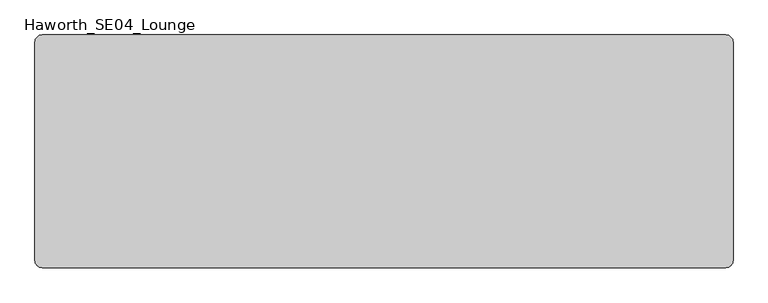
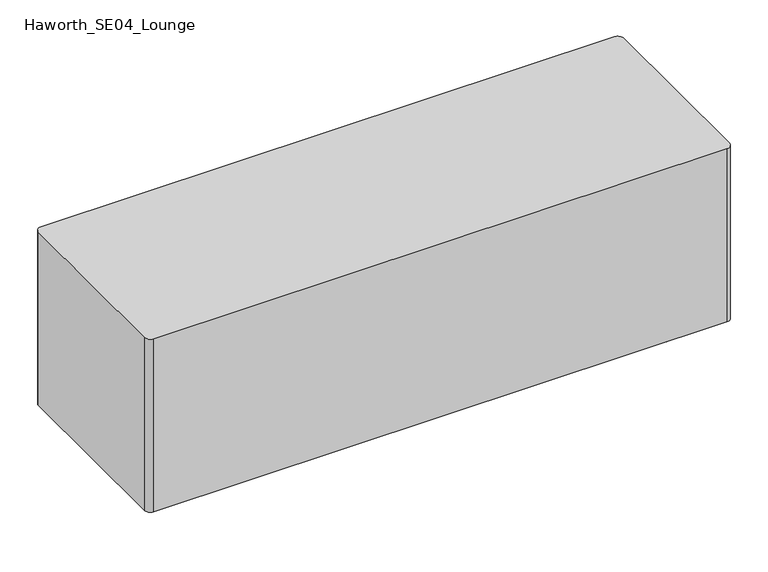
"""IFC4 building model written with IfcOpenShell, lengths in millimetres: furniture geometry, Haworth_SE04_Lounge."""

import ifcopenshell
import ifcopenshell.guid

model = None  # the IFC model being written
_history = None  # IfcOwnerHistory: only IFC2X3 demands one
_inside = {}  # id of a spatial element -> (the spatial element, [elements in it])
_under = {}  # id of a project, library or spatial element -> (it, [spatial elements below it])
_declared = {}  # id of a project -> (the project, [libraries it declares])
_typed = {}  # id of a type object -> (the type object, [elements of that type])
_made_of = {}  # id of a material, layer set ... -> (it, [elements and type objects made of it])


def new_model(schema):
    """Start an empty IFC model of exactly this schema.

    Asked for "IFC4X3", IfcOpenShell would pick the latest addendum, in which some entities
    have other attributes; the version numbers below select the first issue.
    IFC2X3 requires an IfcOwnerHistory on every rooted entity: one is made here for all.
    """
    global model, _history
    if schema == "IFC4X3":
        model = ifcopenshell.file(schema_version=(4, 3, 0, 0))
    else:
        model = ifcopenshell.file(schema=schema)
    _inside.clear()
    _under.clear()
    _declared.clear()
    _typed.clear()
    _made_of.clear()
    _history = None
    if model.schema == "IFC2X3":
        org = make("IfcOrganization", Name="unknown")
        user = make(
            "IfcPersonAndOrganization",
            ThePerson=make("IfcPerson", FamilyName="unknown"),
            TheOrganization=org,
        )
        app = make(
            "IfcApplication",
            ApplicationDeveloper=org,
            Version="unknown",
            ApplicationFullName="unknown",
            ApplicationIdentifier="unknown",
        )
        _history = make(
            "IfcOwnerHistory",
            OwningUser=user,
            OwningApplication=app,
            ChangeAction="ADDED",
            CreationDate=0,
        )
    return model


def make(cls, **values):
    """One entity of the class cls with the attributes given. An attribute that is None is left unset."""
    return model.create_entity(
        cls, **{name: value for name, value in values.items() if value is not None}
    )


def rooted(cls, **values):
    """An entity with a GlobalId (a new one), such as an element, a storey or a relation."""
    return make(cls, GlobalId=ifcopenshell.guid.new(), OwnerHistory=_history, **values)


def si_unit(unit_type, name, prefix=None):
    """IfcSIUnit, for example si_unit("LENGTHUNIT", "METRE", prefix="MILLI")."""
    return make("IfcSIUnit", UnitType=unit_type, Prefix=prefix, Name=name)


def assignment(units):
    """IfcUnitAssignment: the units of a project."""
    return None if units is None else make("IfcUnitAssignment", Units=units)


def point(xyz):
    """IfcCartesianPoint."""
    return None if xyz is None else make("IfcCartesianPoint", Coordinates=xyz)


def direction(xyz):
    """IfcDirection."""
    return None if xyz is None else make("IfcDirection", DirectionRatios=xyz)


def frame(location, z_axis=None, x_axis=None):
    """IfcAxis2Placement3D, a coordinate frame: its origin and axes. An axis left out is left unset."""
    return make(
        "IfcAxis2Placement3D",
        Location=point(location),
        Axis=direction(z_axis),
        RefDirection=direction(x_axis),
    )


def frame_2d(location, x_axis=None):
    """IfcAxis2Placement2D, a coordinate frame in the plane: its origin and x axis."""
    return make(
        "IfcAxis2Placement2D", Location=point(location), RefDirection=direction(x_axis)
    )


def origin():
    """The frame at (0, 0, 0) with its axes left unset."""
    return frame((0.0, 0.0, 0.0))


def origin_with_axes():
    """The frame at (0, 0, 0) with the z axis (0, 0, 1) and the x axis (1, 0, 0) written out."""
    return frame((0.0, 0.0, 0.0), z_axis=(0.0, 0.0, 1.0), x_axis=(1.0, 0.0, 0.0))


def place(relative_to, where):
    """IfcLocalPlacement: puts the frame where relative to a parent placement (None: the world)."""
    return make(
        "IfcLocalPlacement", PlacementRelTo=relative_to, RelativePlacement=where
    )


def context(
    kind, dimensions, precision=None, world=None, true_north=None, identifier=None
):
    """IfcGeometricRepresentationContext, for example the 3D "Model" context."""
    return make(
        "IfcGeometricRepresentationContext",
        ContextIdentifier=identifier,
        ContextType=kind,
        CoordinateSpaceDimension=dimensions,
        Precision=precision,
        WorldCoordinateSystem=world,
        TrueNorth=true_north,
    )


def project(units=None, contexts=None):
    """IfcProject with its units and contexts."""
    return rooted(
        "IfcProject",
        Name="project",
        RepresentationContexts=contexts,
        UnitsInContext=assignment(units),
    )


def spatial(cls, under=None, at=None, **own):
    """A site, building, storey or space (cls), placed at a placement, below another one or the project."""
    s = rooted(cls, ObjectPlacement=at, **own)
    if under is not None:
        _under.setdefault(under.id(), (under, []))[1].append(s)
    return s


def polyline(points):
    """IfcPolyline through the points."""
    return make("IfcPolyline", Points=[point(p) for p in points])


def circle_curve(where, radius):
    """IfcCircle in the frame where."""
    return make("IfcCircle", Position=where, Radius=radius)


def trimmed(basis, trim1, trim2, sense, master):
    """IfcTrimmedCurve: the piece of a basis curve between two trims."""
    return make(
        "IfcTrimmedCurve",
        BasisCurve=basis,
        Trim1=trim1,
        Trim2=trim2,
        SenseAgreement=sense,
        MasterRepresentation=master,
    )


def segment(curve, same_sense, transition):
    """IfcCompositeCurveSegment."""
    return make(
        "IfcCompositeCurveSegment",
        Transition=transition,
        SameSense=same_sense,
        ParentCurve=curve,
    )


def composite_curve(segments, self_intersect=None):
    """IfcCompositeCurve: segments joined end to end."""
    return make("IfcCompositeCurve", Segments=segments, SelfIntersect=self_intersect)


def outline(outer, holes=None, kind="AREA"):
    """IfcArbitraryClosedProfileDef: a profile drawn as a closed curve; with holes, ...WithVoids."""
    if holes is None:
        return make("IfcArbitraryClosedProfileDef", ProfileType=kind, OuterCurve=outer)
    return make(
        "IfcArbitraryProfileDefWithVoids",
        ProfileType=kind,
        OuterCurve=outer,
        InnerCurves=holes,
    )


def extrude(swept, where, along, depth):
    """IfcExtrudedAreaSolid: the profile swept, set in the frame where, extruded along a direction by depth."""
    return make(
        "IfcExtrudedAreaSolid",
        SweptArea=swept,
        Position=where,
        ExtrudedDirection=direction(along),
        Depth=depth,
    )


def shape(context_of_items, identifier, shape_type, items):
    """IfcShapeRepresentation: the items that make up one representation, for example the "Body"."""
    return make(
        "IfcShapeRepresentation",
        ContextOfItems=context_of_items,
        RepresentationIdentifier=identifier,
        RepresentationType=shape_type,
        Items=items,
    )


def source(mapping_origin, context_of_items, identifier, shape_type, items):
    """IfcRepresentationMap: a shape defined once, which mapped items show again and again."""
    return make(
        "IfcRepresentationMap",
        MappingOrigin=mapping_origin,
        MappedRepresentation=shape(context_of_items, identifier, shape_type, items),
    )


def transform(
    local_origin,
    x_axis=None,
    y_axis=None,
    z_axis=None,
    scale=None,
    scale2=None,
    scale3=None,
    uniform=True,
):
    """IfcCartesianTransformationOperator3D, or its non-uniform kind. x_axis, y_axis, z_axis: its Axis1, 2, 3."""
    if uniform:
        return make(
            "IfcCartesianTransformationOperator3D",
            Axis1=direction(x_axis),
            Axis2=direction(y_axis),
            LocalOrigin=point(local_origin),
            Scale=scale,
            Axis3=direction(z_axis),
        )
    return make(
        "IfcCartesianTransformationOperator3DnonUniform",
        Axis1=direction(x_axis),
        Axis2=direction(y_axis),
        LocalOrigin=point(local_origin),
        Scale=scale,
        Axis3=direction(z_axis),
        Scale2=scale2,
        Scale3=scale3,
    )


def mapped(mapping_source, mapping_target):
    """IfcMappedItem: shows the shape of a source again, moved by a transform."""
    return make(
        "IfcMappedItem", MappingSource=mapping_source, MappingTarget=mapping_target
    )


def made_of(thing, what):
    """Note that an element or type object is made of a material, layer set ...; save() writes the relation."""
    if what is not None:
        _made_of.setdefault(what.id(), (what, []))[1].append(thing)
    return thing


def element(
    cls,
    number,
    at=None,
    inside=None,
    cuts=None,
    type_object=None,
    material=None,
    context=None,
    identifier="Body",
    shape_type=None,
    held_by="IfcProductDefinitionShape",
    body=None,
    shapes=None,
    **own,
):
    """One element of the class cls, such as IfcWall. Its Tag is "e" and its number.

    at: its placement. inside: the storey or other place that contains it. cuts: it is an
    opening in that element (IfcRelVoidsElement). A single representation is given by context,
    identifier, shape_type and body (its items); several are given by shapes. held_by: the class
    of the entity that holds the representations. save() writes the other relations.
    """
    e = rooted(cls, Tag="e%d" % number, ObjectPlacement=at, **own)
    if body is not None:
        shapes = [shape(context, identifier, shape_type, body)]
    if shapes is not None:
        e.Representation = make(held_by, Representations=shapes)
    if inside is not None:
        _inside.setdefault(inside.id(), (inside, []))[1].append(e)
    if cuts is not None:
        rooted(
            "IfcRelVoidsElement", RelatingBuildingElement=cuts, RelatedOpeningElement=e
        )
    if type_object is not None:
        _typed.setdefault(type_object.id(), (type_object, []))[1].append(e)
    return made_of(e, material)


def aggregate(whole, parts):
    """IfcRelAggregates: a whole, such as a stair, and the parts it consists of."""
    return rooted("IfcRelAggregates", RelatingObject=whole, RelatedObjects=parts)


def save(model, path):
    """Write the relations noted so far, then the file.

    IfcRelAggregates (storeys below a building ...), IfcRelContainedInSpatialStructure (elements
    in a storey), IfcRelDefinesByType, IfcRelAssociatesMaterial and IfcRelDeclares: one each for
    every whole, place, type object, material and project.
    """
    for whole, parts in _under.values():
        aggregate(whole, parts)
    for where, things in _inside.values():
        rooted(
            "IfcRelContainedInSpatialStructure",
            RelatedElements=things,
            RelatingStructure=where,
        )
    for kind, things in _typed.values():
        rooted("IfcRelDefinesByType", RelatedObjects=things, RelatingType=kind)
    for what, things in _made_of.values():
        rooted("IfcRelAssociatesMaterial", RelatedObjects=things, RelatingMaterial=what)
    for by, libraries in _declared.values():
        rooted("IfcRelDeclares", RelatingContext=by, RelatedDefinitions=libraries)
    model.write(path)


def haworth_se04_lounge_37f76f28(model_context):
    return source(origin(), model_context, "Body", "SweptSolid", [
        extrude(outline(composite_curve([segment(trimmed(circle_curve(frame_2d((-508.0, 101.6)), 34.925), [point((-542.925, 101.6))], [point((-473.075, 101.6))], False, "CARTESIAN"), True, "CONTINUOUS"), segment(trimmed(circle_curve(frame_2d((-508.0, 101.6)), 34.925), [point((-473.075, 101.6))], [point((-542.925, 101.6))], False, "CARTESIAN"), True, "CONTINUOUS")], self_intersect=False)), origin_with_axes(), (0.0, 0.0, 1.0), 50.8),
        extrude(outline(composite_curve([segment(trimmed(circle_curve(frame_2d((508.0, 101.6)), 38.1), [point((469.9, 101.6))], [point((546.1, 101.6))], False, "CARTESIAN"), True, "CONTINUOUS"), segment(trimmed(circle_curve(frame_2d((508.0, 101.6)), 38.1), [point((546.1, 101.6))], [point((469.9, 101.6))], False, "CARTESIAN"), True, "CONTINUOUS")], self_intersect=False)), origin_with_axes(), (0.0, 0.0, 1.0), 50.8),
        extrude(outline(composite_curve([segment(trimmed(circle_curve(frame_2d((508.0, -101.6)), 38.1), [point((469.9, -101.6))], [point((546.1, -101.6))], False, "CARTESIAN"), True, "CONTINUOUS"), segment(trimmed(circle_curve(frame_2d((508.0, -101.6)), 38.1), [point((546.1, -101.6))], [point((469.9, -101.6))], False, "CARTESIAN"), True, "CONTINUOUS")], self_intersect=False)), origin_with_axes(), (0.0, 0.0, 1.0), 50.8),
        extrude(outline(composite_curve([segment(trimmed(circle_curve(frame_2d((-508.0, -101.6)), 38.1), [point((-546.1, -101.6))], [point((-469.9, -101.6))], False, "CARTESIAN"), True, "CONTINUOUS"), segment(trimmed(circle_curve(frame_2d((-508.0, -101.6)), 38.1), [point((-469.9, -101.6))], [point((-546.1, -101.6))], False, "CARTESIAN"), True, "CONTINUOUS")], self_intersect=False)), origin_with_axes(), (0.0, 0.0, 1.0), 50.8),
        extrude(outline(composite_curve([segment(trimmed(circle_curve(frame_2d((596.9, 190.5)), 12.7), [point((596.9, 203.2))], [point((609.6, 190.5))], False, "CARTESIAN"), True, "CONTINUOUS"), segment(polyline([(609.6, 190.5), (609.6, -190.5)]), True, "CONTINUOUS"), segment(trimmed(circle_curve(frame_2d((596.9, -190.5)), 12.7), [point((609.6, -190.5))], [point((596.9, -203.2))], False, "CARTESIAN"), True, "CONTINUOUS"), segment(polyline([(596.9, -203.2), (-596.9, -203.2)]), True, "CONTINUOUS"), segment(trimmed(circle_curve(frame_2d((-596.9, -190.5)), 12.7), [point((-596.9, -203.2))], [point((-609.6, -190.5))], False, "CARTESIAN"), True, "CONTINUOUS"), segment(polyline([(-609.6, -190.5), (-609.6, 190.5)]), True, "CONTINUOUS"), segment(trimmed(circle_curve(frame_2d((-596.9, 190.5)), 12.7), [point((-609.6, 190.5))], [point((-596.9, 203.2))], False, "CARTESIAN"), True, "CONTINUOUS"), segment(polyline([(-596.9, 203.2), (596.9, 203.2)]), True, "CONTINUOUS")], self_intersect=False)), frame((0.0, 0.0, 50.8), z_axis=(0.0, 0.0, 1.0), x_axis=(1.0, 0.0, 0.0)), (0.0, 0.0, 1.0), 381.0),
    ])


if __name__ == "__main__":
    model = new_model("IFC4")
    model_context = context("Model", 3, world=origin())
    ifc_project = project(units=[si_unit("LENGTHUNIT", "METRE", prefix="MILLI")], contexts=[model_context])
    site = spatial("IfcSite", under=ifc_project)
    building = spatial("IfcBuilding", under=site)
    placement = place(None, origin())
    haworth_se04_lounge_shape = haworth_se04_lounge_37f76f28(model_context)
    element("IfcFurniture", 1, ObjectType="Haworth_SE04_Lounge", at=placement, inside=building, context=model_context, shape_type="MappedRepresentation", body=[
        mapped(haworth_se04_lounge_shape, transform((0.0, 0.0, 0.0), x_axis=(1.0, 0.0, 0.0), y_axis=(0.0, 1.0, 0.0), z_axis=(0.0, 0.0, 1.0))),
    ])
    save(model, "model.ifc")
